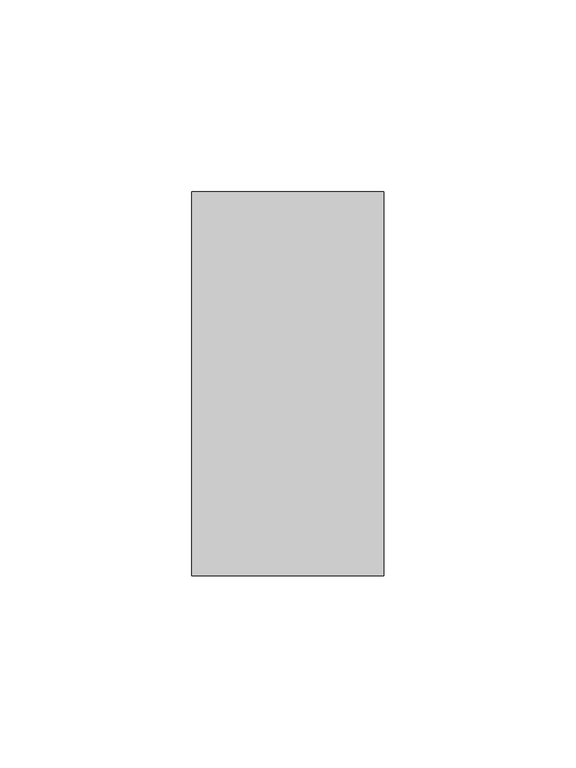
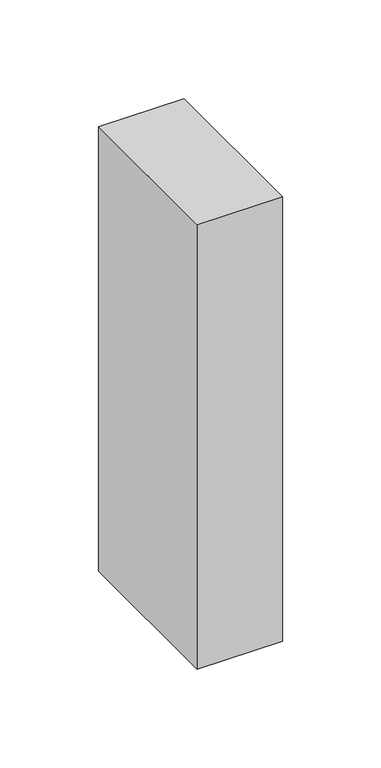
"""IFC4 building model written with IfcOpenShell, lengths in millimetres: member geometry."""

from ifc_helpers import new_model, si_unit, frame, origin, place, context, project, spatial, polyline, outline, extrude, source, transform, mapped, element, save


def member_a9a71071(model_context):
    return source(origin(), model_context, "Body", "SweptSolid", [
        extrude(outline(polyline([(0.0, 50.0), (0.0, -50.0), (-50.0, -50.0), (-50.0, 50.0), (0.0, 50.0)])), frame((0.0, 0.0, -274.9746456), z_axis=(0.0, 0.0, 1.0), x_axis=(1.0, 0.0, 0.0)), (0.0, 0.0, 1.0), 274.9746456),
    ])


if __name__ == "__main__":
    model = new_model("IFC4")
    model_context = context("Model", 3, world=origin())
    ifc_project = project(units=[si_unit("LENGTHUNIT", "METRE", prefix="MILLI")], contexts=[model_context])
    site = spatial("IfcSite", under=ifc_project)
    building = spatial("IfcBuilding", under=site)
    placement = place(None, origin())
    member_shape = member_a9a71071(model_context)
    element("IfcMember", 1, at=placement, inside=building, context=model_context, shape_type="MappedRepresentation", body=[
        mapped(member_shape, transform((0.0, 0.0, 0.0), x_axis=(1.0, 0.0, 0.0), y_axis=(0.0, 1.0, 0.0), z_axis=(0.0, 0.0, 1.0))),
    ])
    save(model, "model.ifc")
